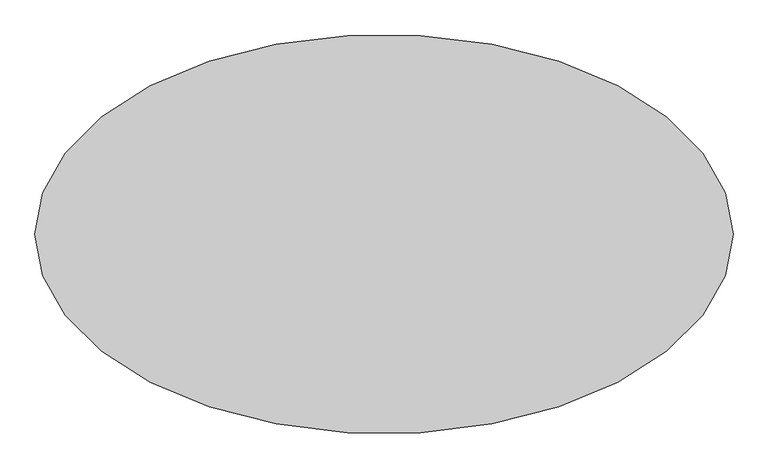
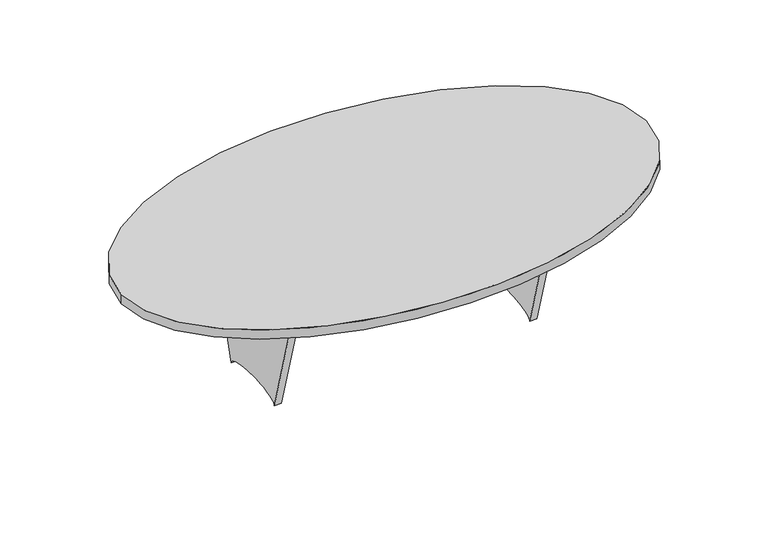
"""IFC4 building model written with IfcOpenShell, lengths in millimetres: furniture geometry."""

from ifc_helpers import new_model, si_unit, point, frame, origin, place, context, project, spatial, ellipse_curve, trimmed, source, transform, mapped, element, save
from ifc_brep_helpers import plane_surface, extruded_surface, advanced_brep


def furniture_71951773(model_context):
    return source(origin(), model_context, "Body", "AdvancedBrep", [
        advanced_brep(
        [(-1400.0, 0.0, 750.0), (1400.0, 0.0, 750.0), (-1400.0, 0.0, 699.2), (1400.0, 0.0, 699.2)],
        [
            (0, 1, ellipse_curve(frame((0.0, 0.0, 750.0), z_axis=(0.0, 0.0, 1.0), x_axis=(1.0, 0.0, 0.0)), 1400.0, 800.0)),
            (1, 0, ellipse_curve(frame((0.0, 0.0, 750.0), z_axis=(0.0, 0.0, 1.0), x_axis=(1.0, 0.0, 0.0)), 1400.0, 800.0)),
            (2, 3, ellipse_curve(frame((0.0, 0.0, 699.2), z_axis=(0.0, 0.0, -1.0), x_axis=(1.0, 0.0, 0.0)), 1400.0, 800.0)),
            (3, 2, ellipse_curve(frame((0.0, 0.0, 699.2), z_axis=(0.0, 0.0, -1.0), x_axis=(1.0, 0.0, 0.0)), 1400.0, 800.0)),
            (0, 2),
            (3, 1),
        ],
        [
            plane_surface(frame((1400.0, 0.0, 750.0), z_axis=(0.0, 0.0, 1.0), x_axis=(0.0, 1.0, 0.0))),
            plane_surface(frame((1400.0, 0.0, 699.2), z_axis=(0.0, 0.0, -1.0), x_axis=(0.0, -1.0, 0.0))),
            extruded_surface(trimmed(ellipse_curve(frame((0.0, 0.0, 648.4), z_axis=(0.0, 0.0, 1.0), x_axis=(1.0, 0.0, 0.0)), 1400.0, 800.0), [point((-1400.0, 0.0, 648.4))], [point((1400.0, 0.0, 648.4))], True, "CARTESIAN"), (0.0, 0.0, 50.80000000000007), 50.80000000000007),
            extruded_surface(trimmed(ellipse_curve(frame((0.0, 0.0, 648.4), z_axis=(0.0, 0.0, 1.0), x_axis=(1.0, 0.0, 0.0)), 1400.0, 800.0), [point((1400.0, 0.0, 648.4))], [point((-1400.0, 0.0, 648.4))], True, "CARTESIAN"), (0.0, 0.0, 50.80000000000007), 50.80000000000007),
        ],
        [
            (0, [[1, 2]]),
            (1, [[3, 4]]),
            (2, [[-1, 5, -4, 6]]),
            (3, [[-2, -6, -3, -5]]),
        ],
    ),
        advanced_brep(
        [(-661.9, 19.05, 699.2), (661.9, 19.05, 699.2), (661.9, 19.05, 466.1333333), (-661.9, 19.05, 466.1333333), (-661.9, -19.05, 699.2), (-661.9, -19.05, 466.1333333), (661.9, -19.05, 466.1333333), (661.9, -19.05, 699.2)],
        [
            (0, 1),
            (1, 2),
            (2, 3, ellipse_curve(frame((0.0, 19.05, 466.1333333), z_axis=(0.0, -1.0, 0.0), x_axis=(1.0, 0.0, 0.0)), 661.9, 101.6)),
            (3, 0),
            (4, 5),
            (5, 6, ellipse_curve(frame((0.0, -19.05, 466.1333333), z_axis=(0.0, 1.0, 0.0), x_axis=(1.0, 0.0, 0.0)), 661.9, 101.6)),
            (6, 7),
            (7, 4),
            (0, 4),
            (7, 1),
            (6, 2),
            (5, 3),
        ],
        [
            plane_surface(frame((-661.9, 19.05, 699.2), z_axis=(0.0, 1.0, 0.0), x_axis=(1.0, 0.0, 0.0))),
            plane_surface(frame((-661.9, -19.05, 699.2), z_axis=(0.0, -1.0, 0.0), x_axis=(-1.0, 0.0, 0.0))),
            plane_surface(frame((-661.9, 19.05, 699.2), z_axis=(0.0, 0.0, 1.0), x_axis=(0.0, -1.0, 0.0))),
            plane_surface(frame((661.9, 19.05, 699.2), z_axis=(1.0, 0.0, 0.0), x_axis=(0.0, -1.0, 0.0))),
            extruded_surface(trimmed(ellipse_curve(frame((0.0, -57.15, 466.1333333), z_axis=(0.0, -1.0, 0.0), x_axis=(1.0, 0.0, 0.0)), 661.9, 101.6), [point((661.9, -57.15, 466.1333333))], [point((-661.9, -57.15, 466.1333333))], True, "CARTESIAN"), (0.0, 38.099999999999994, 0.0), 38.099999999999994),
            plane_surface(frame((-661.9, 19.05, 466.1333333), z_axis=(-1.0, 0.0, 0.0), x_axis=(0.0, -1.0, 0.0))),
        ],
        [
            (0, [[1, 2, 3, 4]]),
            (1, [[5, 6, 7, 8]]),
            (2, [[-1, 9, -8, 10]]),
            (3, [[-2, -10, -7, 11]]),
            (4, [[-3, -11, -6, 12]]),
            (5, [[-4, -12, -5, -9]]),
        ],
    ),
        advanced_brep(
        [(700.0, 400.0, 699.2), (700.0, -400.0, 699.2), (700.0, -200.0, 0.0), (700.0, 200.0, 0.0), (661.9, 400.0, 699.2), (661.9, 200.0, 0.0), (661.9, -200.0, 0.0), (661.9, -400.0, 699.2)],
        [
            (0, 1),
            (1, 2),
            (2, 3, ellipse_curve(frame((700.0, 0.0, 0.0), z_axis=(-1.0, 0.0, 0.0), x_axis=(0.0, 1.0, 0.0)), 200.0, 50.8)),
            (3, 0),
            (4, 5),
            (5, 6, ellipse_curve(frame((661.9, 0.0, 0.0), z_axis=(1.0, 0.0, 0.0), x_axis=(0.0, 1.0, 0.0)), 200.0, 50.8)),
            (6, 7),
            (7, 4),
            (0, 4),
            (7, 1),
            (6, 2),
            (5, 3),
        ],
        [
            plane_surface(frame((700.0, -400.0, 699.2), z_axis=(1.0, 0.0, 0.0), x_axis=(0.0, -1.0, 0.0))),
            plane_surface(frame((661.9, -400.0, 699.2), z_axis=(-1.0, 0.0, 0.0), x_axis=(0.0, 1.0, 0.0))),
            plane_surface(frame((700.0, 400.0, 699.2), z_axis=(0.0, 0.0, 1.0), x_axis=(-1.0, 0.0, 0.0))),
            plane_surface(frame((700.0, -400.0, 699.2), z_axis=(0.0, -0.9614408813354585, -0.27501169374573353), x_axis=(-1.0, 0.0, 0.0))),
            extruded_surface(trimmed(ellipse_curve(frame((623.8, 0.0, 0.0), z_axis=(-1.0, 0.0, 0.0), x_axis=(0.0, 1.0, 0.0)), 200.0, 50.8), [point((623.8, -200.0, 0.0))], [point((623.8, 200.0, 0.0))], True, "CARTESIAN"), (38.10000000000002, 0.0, 0.0), 38.10000000000002),
            plane_surface(frame((700.0, 200.0, 0.0), z_axis=(0.0, 0.9614408813354638, -0.2750116937457145), x_axis=(-1.0, 0.0, 0.0))),
        ],
        [
            (0, [[1, 2, 3, 4]]),
            (1, [[5, 6, 7, 8]]),
            (2, [[-1, 9, -8, 10]]),
            (3, [[-2, -10, -7, 11]]),
            (4, [[-3, -11, -6, 12]]),
            (5, [[-4, -12, -5, -9]]),
        ],
    ),
        advanced_brep(
        [(-661.9, 400.0, 699.2), (-661.9, -400.0, 699.2), (-661.9, -200.0, 0.0), (-661.9, 200.0, 0.0), (-700.0, 400.0, 699.2), (-700.0, 200.0, 0.0), (-700.0, -200.0, 0.0), (-700.0, -400.0, 699.2)],
        [
            (0, 1),
            (1, 2),
            (2, 3, ellipse_curve(frame((-661.9, 0.0, 0.0), z_axis=(-1.0, 0.0, 0.0), x_axis=(0.0, 1.0, 0.0)), 200.0, 50.8)),
            (3, 0),
            (4, 5),
            (5, 6, ellipse_curve(frame((-700.0, 0.0, 0.0), z_axis=(1.0, 0.0, 0.0), x_axis=(0.0, 1.0, 0.0)), 200.0, 50.8)),
            (6, 7),
            (7, 4),
            (0, 4),
            (7, 1),
            (6, 2),
            (5, 3),
        ],
        [
            plane_surface(frame((-661.9, -400.0, 699.2), z_axis=(1.0, 0.0, 0.0), x_axis=(0.0, -1.0, 0.0))),
            plane_surface(frame((-700.0, -400.0, 699.2), z_axis=(-1.0, 0.0, 0.0), x_axis=(0.0, 1.0, 0.0))),
            plane_surface(frame((-661.9, 400.0, 699.2), z_axis=(0.0, 0.0, 1.0), x_axis=(-1.0, 0.0, 0.0))),
            plane_surface(frame((-661.9, -400.0, 699.2), z_axis=(0.0, -0.9614408813354224, -0.27501169374585954), x_axis=(-1.0, 0.0, 0.0))),
            extruded_surface(trimmed(ellipse_curve(frame((-738.1, 0.0, 0.0), z_axis=(-1.0, 0.0, 0.0), x_axis=(0.0, 1.0, 0.0)), 200.0, 50.8), [point((-738.1, -200.0, 0.0))], [point((-738.1, 200.0, 0.0))], True, "CARTESIAN"), (38.10000000000002, 0.0, 0.0), 38.10000000000002),
            plane_surface(frame((-661.9, 200.0, 0.0), z_axis=(0.0, 0.9614408813354249, -0.2750116937458504), x_axis=(-1.0, 0.0, 0.0))),
        ],
        [
            (0, [[1, 2, 3, 4]]),
            (1, [[5, 6, 7, 8]]),
            (2, [[-1, 9, -8, 10]]),
            (3, [[-2, -10, -7, 11]]),
            (4, [[-3, -11, -6, 12]]),
            (5, [[-4, -12, -5, -9]]),
        ],
    ),
    ])


if __name__ == "__main__":
    model = new_model("IFC4")
    model_context = context("Model", 3, world=origin())
    ifc_project = project(units=[si_unit("LENGTHUNIT", "METRE", prefix="MILLI")], contexts=[model_context])
    site = spatial("IfcSite", under=ifc_project)
    building = spatial("IfcBuilding", under=site)
    placement = place(None, origin())
    furniture_shape = furniture_71951773(model_context)
    element("IfcFurniture", 1, at=placement, inside=building, context=model_context, shape_type="MappedRepresentation", body=[
        mapped(furniture_shape, transform((0.0, 0.0, 0.0), x_axis=(1.0, 0.0, 0.0), y_axis=(0.0, 1.0, 0.0), z_axis=(0.0, 0.0, 1.0))),
    ])
    save(model, "model.ifc")
